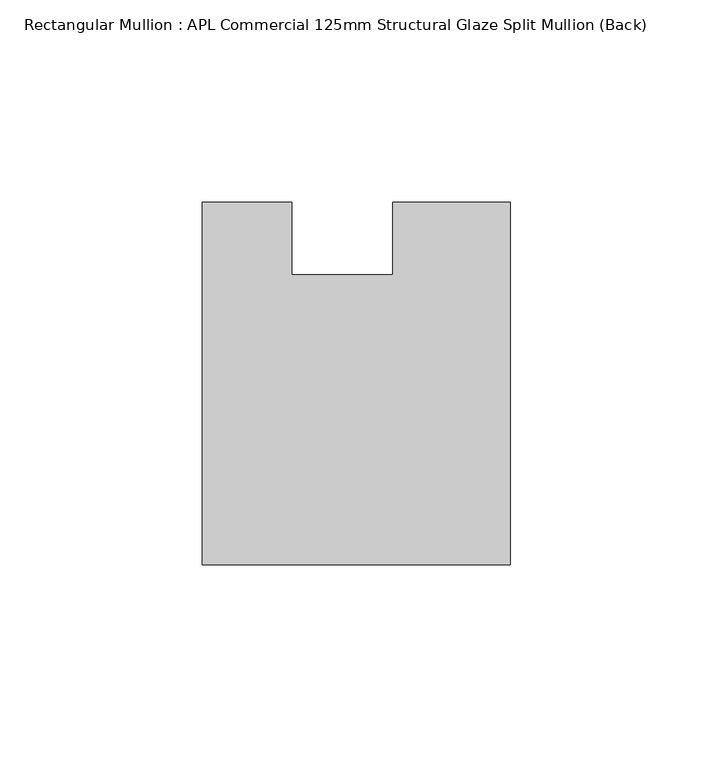
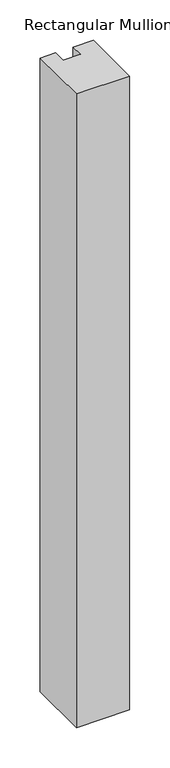
"""IFC4 building model written with IfcOpenShell, lengths in millimetres: member geometry, Rectangular Mullion : APL Commercial 125mm Structural Glaze Split Mullion (Back)."""

from ifc_helpers import new_model, si_unit, frame, origin, place, context, project, spatial, polyline, outline, extrude, source, transform, mapped, element, save


def rectangular_mullion_apl_commercial_125mm_structural_glaze_ed58bddb(model_context):
    return source(origin(), model_context, "Body", "SweptSolid", [
        extrude(outline(polyline([(37.9999914, -104.4960123), (-37.9999896, -104.4960123), (-37.9999896, -14.9960123), (-16.0, -14.9960123), (-16.0, -32.7960123), (9.0, -32.7960123), (9.0, -14.9960123), (37.9999914, -14.9960123), (37.9999914, -104.4960123)])), frame((0.0, 0.0, -956.8287873), z_axis=(0.0, 0.0, 1.0), x_axis=(1.0, 0.0, 0.0)), (0.0, 0.0, 1.0), 956.8287873),
    ])


if __name__ == "__main__":
    model = new_model("IFC4")
    model_context = context("Model", 3, world=origin())
    ifc_project = project(units=[si_unit("LENGTHUNIT", "METRE", prefix="MILLI")], contexts=[model_context])
    site = spatial("IfcSite", under=ifc_project)
    building = spatial("IfcBuilding", under=site)
    placement = place(None, origin())
    rectangular_mullion_apl_commercial_125mm_structural_glaze_shape = rectangular_mullion_apl_commercial_125mm_structural_glaze_ed58bddb(model_context)
    element("IfcMember", 1, ObjectType="Rectangular Mullion : APL Commercial 125mm Structural Glaze Split Mullion (Back)", at=placement, inside=building, context=model_context, shape_type="MappedRepresentation", body=[
        mapped(rectangular_mullion_apl_commercial_125mm_structural_glaze_shape, transform((0.0, 0.0, 0.0), x_axis=(1.0, 0.0, 0.0), y_axis=(0.0, 1.0, 0.0), z_axis=(0.0, 0.0, 1.0))),
    ])
    save(model, "model.ifc")
